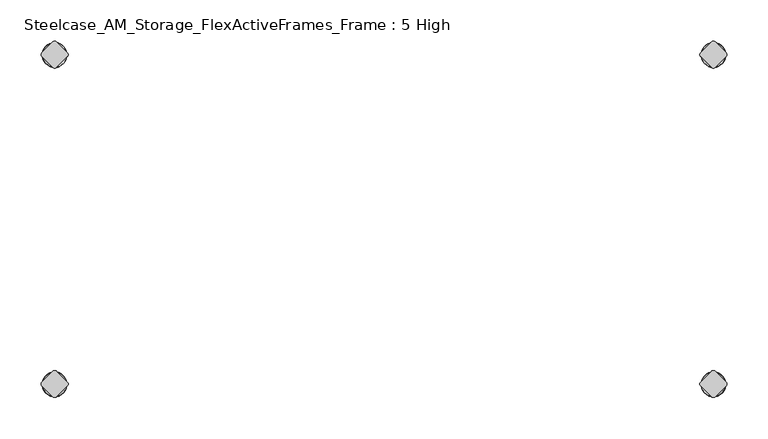
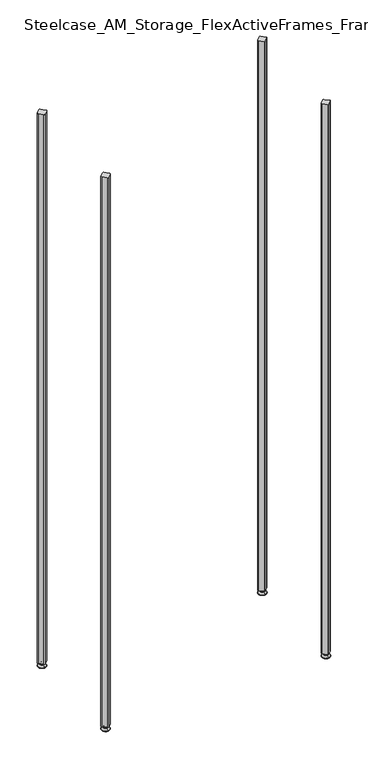
"""IFC4 building model written with IfcOpenShell, lengths in millimetres: furniture geometry, Steelcase_AM_Storage_FlexActiveFrames_Frame : 5 High."""

from ifc_helpers import new_model, si_unit, point, frame, frame_2d, origin, place, context, project, spatial, polyline, circle_curve, ellipse_curve, trimmed, segment, composite_curve, outline, extrude, source, transform, mapped, element, save
from ifc_brep_helpers import plane_surface, cylinder_surface, revolved_surface, advanced_brep


def steelcase_am_storage_flexactiveframes_frame_5_high_075ac30d(model_context):
    return source(origin(), model_context, "Body", "SolidModel", [
        advanced_brep(
        [(800.1, 3.999659, 15.9766), (800.1, -3.999659, 15.9766), (800.1, 0.0, 15.9766), (800.1, 3.999659, 12.6000054), (800.1, -3.999659, 12.6000054), (800.1, 5.8601455, 12.6000054), (800.1, -5.8601455, 12.6000054), (800.1, 6.4951462, 11.9650074), (800.1, -6.4951462, 11.9650074), (800.1, 6.4951462, 9.0000124), (800.1, -6.4951462, 9.0000124), (800.1, 8.7421976, 9.0000124), (800.1, -8.7421976, 9.0000124), (800.1, 14.7060077, 2.3275608), (800.1, -14.7060077, 2.3275608), (800.1, 13.664601, 0.0), (800.1, -13.664601, 0.0), (800.1, 0.0, 0.0)],
        [
            (0, 1, circle_curve(frame((800.1, 0.0, 15.9766), z_axis=(0.0, 0.0, 1.0), x_axis=(0.0, -1.0, 0.0)), 3.999659)),
            (1, 2),
            (2, 0),
            (1, 0, circle_curve(frame((800.1, 0.0, 15.9766), z_axis=(0.0, 0.0, 1.0), x_axis=(0.0, -1.0, 0.0)), 3.999659)),
            (3, 4, circle_curve(frame((800.1, 0.0, 12.6000054), z_axis=(0.0, 0.0, 1.0), x_axis=(0.0, -1.0, 0.0)), 3.999659)),
            (4, 1),
            (0, 3),
            (4, 3, circle_curve(frame((800.1, 0.0, 12.6000054), z_axis=(0.0, 0.0, 1.0), x_axis=(0.0, -1.0, 0.0)), 3.999659)),
            (5, 6, circle_curve(frame((800.1, 0.0, 12.6000054), z_axis=(0.0, 0.0, 1.0), x_axis=(0.0, -1.0, 0.0)), 5.8601455)),
            (6, 4),
            (3, 5),
            (6, 5, circle_curve(frame((800.1, 0.0, 12.6000054), z_axis=(0.0, 0.0, 1.0), x_axis=(0.0, -1.0, 0.0)), 5.8601455)),
            (7, 8, circle_curve(frame((800.1, 0.0, 11.9650074), z_axis=(0.0, 0.0, 1.0), x_axis=(0.0, -1.0, 0.0)), 6.4951462)),
            (8, 6, circle_curve(frame((800.1, -5.8601462, 11.9650074), z_axis=(-1.0, 0.0, 0.0), x_axis=(0.0, -1.0, 0.0)), 0.635)),
            (5, 7, circle_curve(frame((800.1, 5.8601462, 11.9650074), z_axis=(-1.0, 0.0, 0.0), x_axis=(0.0, 1.0, 0.0)), 0.635)),
            (8, 7, circle_curve(frame((800.1, 0.0, 11.9650074), z_axis=(0.0, 0.0, 1.0), x_axis=(0.0, -1.0, 0.0)), 6.4951462)),
            (9, 10, circle_curve(frame((800.1, 0.0, 9.0000124), z_axis=(0.0, 0.0, 1.0), x_axis=(0.0, -1.0, 0.0)), 6.4951462)),
            (10, 8),
            (7, 9),
            (10, 9, circle_curve(frame((800.1, 0.0, 9.0000124), z_axis=(0.0, 0.0, 1.0), x_axis=(0.0, -1.0, 0.0)), 6.4951462)),
            (11, 12, circle_curve(frame((800.1, 0.0, 9.0000124), z_axis=(0.0, 0.0, 1.0), x_axis=(0.0, -1.0, 0.0)), 8.7421976)),
            (12, 10),
            (9, 11),
            (12, 11, circle_curve(frame((800.1, 0.0, 9.0000124), z_axis=(0.0, 0.0, 1.0), x_axis=(0.0, -1.0, 0.0)), 8.7421976)),
            (13, 14, circle_curve(frame((800.1, 0.0, 2.3275608), z_axis=(0.0, 0.0, 1.0), x_axis=(0.0, -1.0, 0.0)), 14.7060077)),
            (14, 12),
            (11, 13),
            (14, 13, circle_curve(frame((800.1, 0.0, 2.3275608), z_axis=(0.0, 0.0, 1.0), x_axis=(0.0, -1.0, 0.0)), 14.7060077)),
            (15, 16, circle_curve(frame((800.1, 0.0, 0.0), z_axis=(0.0, 0.0, 1.0), x_axis=(0.0, -1.0, 0.0)), 13.664601)),
            (16, 14, circle_curve(frame((800.1, -13.664601, 1.3967556), z_axis=(-1.0, 0.0, 0.0), x_axis=(0.0, -1.0, 0.0)), 1.3967556)),
            (13, 15, circle_curve(frame((800.1, 13.664601, 1.3967556), z_axis=(-1.0, 0.0, 0.0), x_axis=(0.0, 1.0, 0.0)), 1.3967556)),
            (16, 15, circle_curve(frame((800.1, 0.0, 0.0), z_axis=(0.0, 0.0, 1.0), x_axis=(0.0, -1.0, 0.0)), 13.664601)),
            (17, 16),
            (15, 17),
        ],
        [
            plane_surface(frame((800.1, 0.0, 15.9766), z_axis=(0.0, 0.0, 1.0), x_axis=(0.0, -1.0, 0.0))),
            cylinder_surface(frame((800.1, 0.0, -4.132372), z_axis=(0.0, 0.0, -1.0), x_axis=(0.0, -1.0, 0.0)), 3.999659),
            plane_surface(frame((800.1, 0.0, 12.6000054), z_axis=(0.0, 0.0, 1.0), x_axis=(0.0, -1.0, 0.0))),
            revolved_surface(trimmed(ellipse_curve(frame((800.1, -5.8601462, 11.9650074), z_axis=(1.0, 0.0, 0.0), x_axis=(0.0, -1.0, 0.0)), 0.635, 0.635), [point((800.1, -5.8601455, 12.6000074))], [point((800.1, -6.4951462, 11.9650074))], True, "CARTESIAN"), (800.1, 0.0, -4.132372), (0.0, 0.0, -1.0)),
            cylinder_surface(frame((800.1, 0.0, -4.132372), z_axis=(0.0, 0.0, -1.0), x_axis=(0.0, -1.0, 0.0)), 6.4951462),
            plane_surface(frame((800.1, 0.0, 9.0000124), z_axis=(0.0, 0.0, 1.0), x_axis=(0.0, -1.0, 0.0))),
            revolved_surface(polyline([(800.1, -8.7421976, 9.0000124), (800.1, -14.7060077, 2.3275608)]), (800.1, 0.0, -4.132372), (0.0, 0.0, -1.0)),
            revolved_surface(trimmed(ellipse_curve(frame((800.1, -13.664601, 1.3967556), z_axis=(1.0, 0.0, 0.0), x_axis=(0.0, -1.0, 0.0)), 1.3967556, 1.3967556), [point((800.1, -14.7060077, 2.3275608))], [point((800.1, -13.664601, 0.0))], True, "CARTESIAN"), (800.1, 0.0, -4.132372), (0.0, 0.0, -1.0)),
            plane_surface(frame((800.1, 0.0, 0.0), z_axis=(0.0, 0.0, -1.0), x_axis=(0.0, -1.0, 0.0))),
        ],
        [
            (0, [[1, 2, 3]]),
            (0, [[4, -3, -2]]),
            (1, [[5, 6, -1, 7]]),
            (1, [[8, -7, -4, -6]]),
            (2, [[9, 10, -5, 11]]),
            (2, [[12, -11, -8, -10]]),
            (3, [[13, 14, -9, 15]]),
            (3, [[16, -15, -12, -14]]),
            (4, [[17, 18, -13, 19]]),
            (4, [[20, -19, -16, -18]]),
            (5, [[21, 22, -17, 23]]),
            (5, [[24, -23, -20, -22]]),
            (6, [[25, 26, -21, 27]]),
            (6, [[28, -27, -24, -26]]),
            (7, [[29, 30, -25, 31]]),
            (7, [[32, -31, -28, -30]]),
            (8, [[33, -29, 34]]),
            (8, [[-34, -32, -33]]),
        ],
    ),
        advanced_brep(
        [(800.1, -400.05, 15.9766), (800.1, -396.050341, 15.9766), (800.1, -404.049659, 15.9766), (800.1, -396.050341, 12.6000054), (800.1, -404.049659, 12.6000054), (800.1, -394.1898545, 12.6000074), (800.1, -405.9101455, 12.6000074), (800.1, -393.5548538, 11.9650074), (800.1, -406.5451462, 11.9650074), (800.1, -393.5548538, 9.0000124), (800.1, -406.5451462, 9.0000124), (800.1, -391.3078024, 9.0000124), (800.1, -408.7921976, 9.0000124), (800.1, -385.3439923, 2.3275608), (800.1, -414.7560077, 2.3275608), (800.1, -386.385399, 0.0), (800.1, -413.714601, 0.0), (800.1, -400.05, 0.0)],
        [
            (0, 1),
            (1, 2, circle_curve(frame((800.1, -400.05, 15.9766), z_axis=(0.0, 0.0, 1.0), x_axis=(0.0, 1.0, 0.0)), 3.999659)),
            (2, 0),
            (2, 1, circle_curve(frame((800.1, -400.05, 15.9766), z_axis=(0.0, 0.0, 1.0), x_axis=(0.0, 1.0, 0.0)), 3.999659)),
            (1, 3),
            (3, 4, circle_curve(frame((800.1, -400.05, 12.6000054), z_axis=(0.0, 0.0, 1.0), x_axis=(0.0, 1.0, 0.0)), 3.999659)),
            (4, 2),
            (4, 3, circle_curve(frame((800.1, -400.05, 12.6000054), z_axis=(0.0, 0.0, 1.0), x_axis=(0.0, 1.0, 0.0)), 3.999659)),
            (3, 5),
            (5, 6, circle_curve(frame((800.1, -400.05, 12.6000074), z_axis=(0.0, 0.0, 1.0), x_axis=(0.0, 1.0, 0.0)), 5.8601455)),
            (6, 4),
            (6, 5, circle_curve(frame((800.1, -400.05, 12.6000074), z_axis=(0.0, 0.0, 1.0), x_axis=(0.0, 1.0, 0.0)), 5.8601455)),
            (5, 7, circle_curve(frame((800.1, -394.1898538, 11.9650074), z_axis=(-1.0, 0.0, 0.0), x_axis=(0.0, 1.0, 0.0)), 0.635)),
            (7, 8, circle_curve(frame((800.1, -400.05, 11.9650074), z_axis=(0.0, 0.0, 1.0), x_axis=(0.0, 1.0, 0.0)), 6.4951462)),
            (8, 6, circle_curve(frame((800.1, -405.9101462, 11.9650074), z_axis=(-1.0, 0.0, 0.0), x_axis=(0.0, -1.0, 0.0)), 0.635)),
            (8, 7, circle_curve(frame((800.1, -400.05, 11.9650074), z_axis=(0.0, 0.0, 1.0), x_axis=(0.0, 1.0, 0.0)), 6.4951462)),
            (7, 9),
            (9, 10, circle_curve(frame((800.1, -400.05, 9.0000124), z_axis=(0.0, 0.0, 1.0), x_axis=(0.0, 1.0, 0.0)), 6.4951462)),
            (10, 8),
            (10, 9, circle_curve(frame((800.1, -400.05, 9.0000124), z_axis=(0.0, 0.0, 1.0), x_axis=(0.0, 1.0, 0.0)), 6.4951462)),
            (9, 11),
            (11, 12, circle_curve(frame((800.1, -400.05, 9.0000124), z_axis=(0.0, 0.0, 1.0), x_axis=(0.0, 1.0, 0.0)), 8.7421976)),
            (12, 10),
            (12, 11, circle_curve(frame((800.1, -400.05, 9.0000124), z_axis=(0.0, 0.0, 1.0), x_axis=(0.0, 1.0, 0.0)), 8.7421976)),
            (11, 13),
            (13, 14, circle_curve(frame((800.1, -400.05, 2.3275608), z_axis=(0.0, 0.0, 1.0), x_axis=(0.0, 1.0, 0.0)), 14.7060077)),
            (14, 12),
            (14, 13, circle_curve(frame((800.1, -400.05, 2.3275608), z_axis=(0.0, 0.0, 1.0), x_axis=(0.0, 1.0, 0.0)), 14.7060077)),
            (13, 15, circle_curve(frame((800.1, -386.385399, 1.3967556), z_axis=(-1.0, 0.0, 0.0), x_axis=(0.0, 1.0, 0.0)), 1.3967556)),
            (15, 16, circle_curve(frame((800.1, -400.05, 0.0), z_axis=(0.0, 0.0, 1.0), x_axis=(0.0, 1.0, 0.0)), 13.664601)),
            (16, 14, circle_curve(frame((800.1, -413.714601, 1.3967556), z_axis=(-1.0, 0.0, 0.0), x_axis=(0.0, -1.0, 0.0)), 1.3967556)),
            (16, 15, circle_curve(frame((800.1, -400.05, 0.0), z_axis=(0.0, 0.0, 1.0), x_axis=(0.0, 1.0, 0.0)), 13.664601)),
            (15, 17),
            (17, 16),
        ],
        [
            plane_surface(frame((800.1, -400.05, 15.9766), z_axis=(0.0, 0.0, 1.0), x_axis=(0.0, 1.0, 0.0))),
            cylinder_surface(frame((800.1, -400.05, -4.132372), z_axis=(0.0, 0.0, 1.0), x_axis=(0.0, 1.0, 0.0)), 3.999659),
            plane_surface(frame((800.1, -400.05, 12.6000074), z_axis=(0.0, 0.0, 1.0), x_axis=(0.0, 1.0, 0.0))),
            revolved_surface(trimmed(ellipse_curve(frame((800.1, -394.1898538, 11.9650074), z_axis=(1.0, 0.0, 0.0), x_axis=(0.0, 1.0, 0.0)), 0.635, 0.635), [point((800.1, -393.5548538, 11.9650074))], [point((800.1, -394.1898545, 12.6000074))], True, "CARTESIAN"), (800.1, -400.05, -4.132372), (0.0, 0.0, 1.0)),
            cylinder_surface(frame((800.1, -400.05, -4.132372), z_axis=(0.0, 0.0, 1.0), x_axis=(0.0, 1.0, 0.0)), 6.4951462),
            plane_surface(frame((800.1, -400.05, 9.0000124), z_axis=(0.0, 0.0, 1.0), x_axis=(0.0, 1.0, 0.0))),
            revolved_surface(polyline([(800.1, -385.3439923, 2.3275608), (800.1, -391.3078024, 9.0000124)]), (800.1, -400.05, -4.132372), (0.0, 0.0, 1.0)),
            revolved_surface(trimmed(ellipse_curve(frame((800.1, -386.385399, 1.3967556), z_axis=(1.0, 0.0, 0.0), x_axis=(0.0, 1.0, 0.0)), 1.3967556, 1.3967556), [point((800.1, -386.385399, 0.0))], [point((800.1, -385.3439923, 2.3275608))], True, "CARTESIAN"), (800.1, -400.05, -4.132372), (0.0, 0.0, 1.0)),
            plane_surface(frame((800.1, -400.05, 0.0), z_axis=(0.0, 0.0, -1.0), x_axis=(0.0, 1.0, 0.0))),
        ],
        [
            (0, [[1, 2, 3]]),
            (0, [[-3, 4, -1]]),
            (1, [[-2, 5, 6, 7]]),
            (1, [[-4, -7, 8, -5]]),
            (2, [[-6, 9, 10, 11]]),
            (2, [[-8, -11, 12, -9]]),
            (3, [[-10, 13, 14, 15]]),
            (3, [[-12, -15, 16, -13]]),
            (4, [[-14, 17, 18, 19]]),
            (4, [[-16, -19, 20, -17]]),
            (5, [[-18, 21, 22, 23]]),
            (5, [[-20, -23, 24, -21]]),
            (6, [[-22, 25, 26, 27]]),
            (6, [[-24, -27, 28, -25]]),
            (7, [[-26, 29, 30, 31]]),
            (7, [[-28, -31, 32, -29]]),
            (8, [[-30, 33, 34]]),
            (8, [[-32, -34, -33]]),
        ],
    ),
        advanced_brep(
        [(0.0, -400.05, 15.9766), (0.0, -396.050341, 15.9766), (0.0, -404.049659, 15.9766), (0.0, -396.050341, 12.6000054), (0.0, -404.049659, 12.6000054), (0.0, -394.1898545, 12.6000074), (0.0, -405.9101455, 12.6000074), (0.0, -393.5548538, 11.9650074), (0.0, -406.5451462, 11.9650074), (0.0, -393.5548538, 9.0000124), (0.0, -406.5451462, 9.0000124), (0.0, -391.3078024, 9.0000124), (0.0, -408.7921976, 9.0000124), (0.0, -385.3439923, 2.3275608), (0.0, -414.7560077, 2.3275608), (0.0, -386.385399, 0.0), (0.0, -413.714601, 0.0), (0.0, -400.05, 0.0)],
        [
            (0, 1),
            (1, 2, circle_curve(frame((0.0, -400.05, 15.9766), z_axis=(0.0, 0.0, 1.0), x_axis=(0.0, 1.0, 0.0)), 3.999659)),
            (2, 0),
            (2, 1, circle_curve(frame((0.0, -400.05, 15.9766), z_axis=(0.0, 0.0, 1.0), x_axis=(0.0, 1.0, 0.0)), 3.999659)),
            (1, 3),
            (3, 4, circle_curve(frame((0.0, -400.05, 12.6000054), z_axis=(0.0, 0.0, 1.0), x_axis=(0.0, 1.0, 0.0)), 3.999659)),
            (4, 2),
            (4, 3, circle_curve(frame((0.0, -400.05, 12.6000054), z_axis=(0.0, 0.0, 1.0), x_axis=(0.0, 1.0, 0.0)), 3.999659)),
            (3, 5),
            (5, 6, circle_curve(frame((0.0, -400.05, 12.6000074), z_axis=(0.0, 0.0, 1.0), x_axis=(0.0, 1.0, 0.0)), 5.8601455)),
            (6, 4),
            (6, 5, circle_curve(frame((0.0, -400.05, 12.6000074), z_axis=(0.0, 0.0, 1.0), x_axis=(0.0, 1.0, 0.0)), 5.8601455)),
            (5, 7, circle_curve(frame((0.0, -394.1898538, 11.9650074), z_axis=(-1.0, 0.0, 0.0), x_axis=(0.0, -1.0, 0.0)), 0.635)),
            (7, 8, circle_curve(frame((0.0, -400.05, 11.9650074), z_axis=(0.0, 0.0, 1.0), x_axis=(0.0, 1.0, 0.0)), 6.4951462)),
            (8, 6, circle_curve(frame((0.0, -405.9101462, 11.9650074), z_axis=(-1.0, 0.0, 0.0), x_axis=(0.0, 1.0, 0.0)), 0.635)),
            (8, 7, circle_curve(frame((0.0, -400.05, 11.9650074), z_axis=(0.0, 0.0, 1.0), x_axis=(0.0, 1.0, 0.0)), 6.4951462)),
            (7, 9),
            (9, 10, circle_curve(frame((0.0, -400.05, 9.0000124), z_axis=(0.0, 0.0, 1.0), x_axis=(0.0, 1.0, 0.0)), 6.4951462)),
            (10, 8),
            (10, 9, circle_curve(frame((0.0, -400.05, 9.0000124), z_axis=(0.0, 0.0, 1.0), x_axis=(0.0, 1.0, 0.0)), 6.4951462)),
            (9, 11),
            (11, 12, circle_curve(frame((0.0, -400.05, 9.0000124), z_axis=(0.0, 0.0, 1.0), x_axis=(0.0, 1.0, 0.0)), 8.7421976)),
            (12, 10),
            (12, 11, circle_curve(frame((0.0, -400.05, 9.0000124), z_axis=(0.0, 0.0, 1.0), x_axis=(0.0, 1.0, 0.0)), 8.7421976)),
            (11, 13),
            (13, 14, circle_curve(frame((0.0, -400.05, 2.3275608), z_axis=(0.0, 0.0, 1.0), x_axis=(0.0, 1.0, 0.0)), 14.7060077)),
            (14, 12),
            (14, 13, circle_curve(frame((0.0, -400.05, 2.3275608), z_axis=(0.0, 0.0, 1.0), x_axis=(0.0, 1.0, 0.0)), 14.7060077)),
            (13, 15, circle_curve(frame((0.0, -386.385399, 1.3967556), z_axis=(-1.0, 0.0, 0.0), x_axis=(0.0, -1.0, 0.0)), 1.3967556)),
            (15, 16, circle_curve(frame((0.0, -400.05, 0.0), z_axis=(0.0, 0.0, 1.0), x_axis=(0.0, 1.0, 0.0)), 13.664601)),
            (16, 14, circle_curve(frame((0.0, -413.714601, 1.3967556), z_axis=(-1.0, 0.0, 0.0), x_axis=(0.0, 1.0, 0.0)), 1.3967556)),
            (16, 15, circle_curve(frame((0.0, -400.05, 0.0), z_axis=(0.0, 0.0, 1.0), x_axis=(0.0, 1.0, 0.0)), 13.664601)),
            (15, 17),
            (17, 16),
        ],
        [
            plane_surface(frame((0.0, -400.05, 15.9766), z_axis=(0.0, 0.0, 1.0), x_axis=(0.0, 1.0, 0.0))),
            cylinder_surface(frame((0.0, -400.05, -4.132372), z_axis=(0.0, 0.0, 1.0), x_axis=(0.0, 1.0, 0.0)), 3.999659),
            plane_surface(frame((0.0, -400.05, 12.6000074), z_axis=(0.0, 0.0, 1.0), x_axis=(0.0, 1.0, 0.0))),
            revolved_surface(trimmed(ellipse_curve(frame((0.0, -394.1898538, 11.9650074), z_axis=(1.0, 0.0, 0.0), x_axis=(0.0, -1.0, 0.0)), 0.635, 0.635), [point((0.0, -393.5548538, 11.9650074))], [point((0.0, -394.1898545, 12.6000074))], True, "CARTESIAN"), (0.0, -400.05, -4.132372), (0.0, 0.0, 1.0)),
            cylinder_surface(frame((0.0, -400.05, -4.132372), z_axis=(0.0, 0.0, 1.0), x_axis=(0.0, 1.0, 0.0)), 6.4951462),
            plane_surface(frame((0.0, -400.05, 9.0000124), z_axis=(0.0, 0.0, 1.0), x_axis=(0.0, 1.0, 0.0))),
            revolved_surface(polyline([(0.0, -385.3439923, 2.3275608), (0.0, -391.3078024, 9.0000124)]), (0.0, -400.05, -4.132372), (0.0, 0.0, 1.0)),
            revolved_surface(trimmed(ellipse_curve(frame((0.0, -386.385399, 1.3967556), z_axis=(1.0, 0.0, 0.0), x_axis=(0.0, -1.0, 0.0)), 1.3967556, 1.3967556), [point((0.0, -386.385399, 0.0))], [point((0.0, -385.3439923, 2.3275608))], True, "CARTESIAN"), (0.0, -400.05, -4.132372), (0.0, 0.0, 1.0)),
            plane_surface(frame((0.0, -400.05, 0.0), z_axis=(0.0, 0.0, -1.0), x_axis=(0.0, 1.0, 0.0))),
        ],
        [
            (0, [[1, 2, 3]]),
            (0, [[-3, 4, -1]]),
            (1, [[-2, 5, 6, 7]]),
            (1, [[-4, -7, 8, -5]]),
            (2, [[-6, 9, 10, 11]]),
            (2, [[-8, -11, 12, -9]]),
            (3, [[-10, 13, 14, 15]]),
            (3, [[-12, -15, 16, -13]]),
            (4, [[-14, 17, 18, 19]]),
            (4, [[-16, -19, 20, -17]]),
            (5, [[-18, 21, 22, 23]]),
            (5, [[-20, -23, 24, -21]]),
            (6, [[-22, 25, 26, 27]]),
            (6, [[-24, -27, 28, -25]]),
            (7, [[-26, 29, 30, 31]]),
            (7, [[-28, -31, 32, -29]]),
            (8, [[-30, 33, 34]]),
            (8, [[-32, -34, -33]]),
        ],
    ),
        advanced_brep(
        [(0.0, 3.999659, 15.9766), (0.0, -3.999659, 15.9766), (0.0, 0.0, 15.9766), (0.0, 3.999659, 12.6000054), (0.0, -3.999659, 12.6000054), (0.0, 5.8601455, 12.6000054), (0.0, -5.8601455, 12.6000054), (0.0, 6.4951462, 11.9650074), (0.0, -6.4951462, 11.9650074), (0.0, 6.4951462, 9.0000124), (0.0, -6.4951462, 9.0000124), (0.0, 8.7421976, 9.0000124), (0.0, -8.7421976, 9.0000124), (0.0, 14.7060077, 2.3275608), (0.0, -14.7060077, 2.3275608), (0.0, 13.664601, 0.0), (0.0, -13.664601, 0.0), (0.0, 0.0, 0.0)],
        [
            (0, 1, circle_curve(frame((0.0, 0.0, 15.9766), z_axis=(0.0, 0.0, 1.0), x_axis=(0.0, -1.0, 0.0)), 3.999659)),
            (1, 2),
            (2, 0),
            (1, 0, circle_curve(frame((0.0, 0.0, 15.9766), z_axis=(0.0, 0.0, 1.0), x_axis=(0.0, -1.0, 0.0)), 3.999659)),
            (3, 4, circle_curve(frame((0.0, 0.0, 12.6000054), z_axis=(0.0, 0.0, 1.0), x_axis=(0.0, -1.0, 0.0)), 3.999659)),
            (4, 1),
            (0, 3),
            (4, 3, circle_curve(frame((0.0, 0.0, 12.6000054), z_axis=(0.0, 0.0, 1.0), x_axis=(0.0, -1.0, 0.0)), 3.999659)),
            (5, 6, circle_curve(frame((0.0, 0.0, 12.6000054), z_axis=(0.0, 0.0, 1.0), x_axis=(0.0, -1.0, 0.0)), 5.8601455)),
            (6, 4),
            (3, 5),
            (6, 5, circle_curve(frame((0.0, 0.0, 12.6000054), z_axis=(0.0, 0.0, 1.0), x_axis=(0.0, -1.0, 0.0)), 5.8601455)),
            (7, 8, circle_curve(frame((0.0, 0.0, 11.9650074), z_axis=(0.0, 0.0, 1.0), x_axis=(0.0, -1.0, 0.0)), 6.4951462)),
            (8, 6, circle_curve(frame((0.0, -5.8601462, 11.9650074), z_axis=(-1.0, 0.0, 0.0), x_axis=(0.0, 1.0, 0.0)), 0.635)),
            (5, 7, circle_curve(frame((0.0, 5.8601462, 11.9650074), z_axis=(-1.0, 0.0, 0.0), x_axis=(0.0, -1.0, 0.0)), 0.635)),
            (8, 7, circle_curve(frame((0.0, 0.0, 11.9650074), z_axis=(0.0, 0.0, 1.0), x_axis=(0.0, -1.0, 0.0)), 6.4951462)),
            (9, 10, circle_curve(frame((0.0, 0.0, 9.0000124), z_axis=(0.0, 0.0, 1.0), x_axis=(0.0, -1.0, 0.0)), 6.4951462)),
            (10, 8),
            (7, 9),
            (10, 9, circle_curve(frame((0.0, 0.0, 9.0000124), z_axis=(0.0, 0.0, 1.0), x_axis=(0.0, -1.0, 0.0)), 6.4951462)),
            (11, 12, circle_curve(frame((0.0, 0.0, 9.0000124), z_axis=(0.0, 0.0, 1.0), x_axis=(0.0, -1.0, 0.0)), 8.7421976)),
            (12, 10),
            (9, 11),
            (12, 11, circle_curve(frame((0.0, 0.0, 9.0000124), z_axis=(0.0, 0.0, 1.0), x_axis=(0.0, -1.0, 0.0)), 8.7421976)),
            (13, 14, circle_curve(frame((0.0, 0.0, 2.3275608), z_axis=(0.0, 0.0, 1.0), x_axis=(0.0, -1.0, 0.0)), 14.7060077)),
            (14, 12),
            (11, 13),
            (14, 13, circle_curve(frame((0.0, 0.0, 2.3275608), z_axis=(0.0, 0.0, 1.0), x_axis=(0.0, -1.0, 0.0)), 14.7060077)),
            (15, 16, circle_curve(frame((0.0, 0.0, 0.0), z_axis=(0.0, 0.0, 1.0), x_axis=(0.0, -1.0, 0.0)), 13.664601)),
            (16, 14, circle_curve(frame((0.0, -13.664601, 1.3967556), z_axis=(-1.0, 0.0, 0.0), x_axis=(0.0, 1.0, 0.0)), 1.3967556)),
            (13, 15, circle_curve(frame((0.0, 13.664601, 1.3967556), z_axis=(-1.0, 0.0, 0.0), x_axis=(0.0, -1.0, 0.0)), 1.3967556)),
            (16, 15, circle_curve(frame((0.0, 0.0, 0.0), z_axis=(0.0, 0.0, 1.0), x_axis=(0.0, -1.0, 0.0)), 13.664601)),
            (17, 16),
            (15, 17),
        ],
        [
            plane_surface(frame((0.0, 0.0, 15.9766), z_axis=(0.0, 0.0, 1.0), x_axis=(0.0, -1.0, 0.0))),
            cylinder_surface(frame((0.0, 0.0, -4.132372), z_axis=(0.0, 0.0, -1.0), x_axis=(0.0, -1.0, 0.0)), 3.999659),
            plane_surface(frame((0.0, 0.0, 12.6000054), z_axis=(0.0, 0.0, 1.0), x_axis=(0.0, -1.0, 0.0))),
            revolved_surface(trimmed(ellipse_curve(frame((0.0, -5.8601462, 11.9650074), z_axis=(1.0, 0.0, 0.0), x_axis=(0.0, 1.0, 0.0)), 0.635, 0.635), [point((0.0, -5.8601455, 12.6000074))], [point((0.0, -6.4951462, 11.9650074))], True, "CARTESIAN"), (0.0, 0.0, -4.132372), (0.0, 0.0, -1.0)),
            cylinder_surface(frame((0.0, 0.0, -4.132372), z_axis=(0.0, 0.0, -1.0), x_axis=(0.0, -1.0, 0.0)), 6.4951462),
            plane_surface(frame((0.0, 0.0, 9.0000124), z_axis=(0.0, 0.0, 1.0), x_axis=(0.0, -1.0, 0.0))),
            revolved_surface(polyline([(0.0, -8.7421976, 9.0000124), (0.0, -14.7060077, 2.3275608)]), (0.0, 0.0, -4.132372), (0.0, 0.0, -1.0)),
            revolved_surface(trimmed(ellipse_curve(frame((0.0, -13.664601, 1.3967556), z_axis=(1.0, 0.0, 0.0), x_axis=(0.0, 1.0, 0.0)), 1.3967556, 1.3967556), [point((0.0, -14.7060077, 2.3275608))], [point((0.0, -13.664601, 0.0))], True, "CARTESIAN"), (0.0, 0.0, -4.132372), (0.0, 0.0, -1.0)),
            plane_surface(frame((0.0, 0.0, 0.0), z_axis=(0.0, 0.0, -1.0), x_axis=(0.0, -1.0, 0.0))),
        ],
        [
            (0, [[1, 2, 3]]),
            (0, [[4, -3, -2]]),
            (1, [[5, 6, -1, 7]]),
            (1, [[8, -7, -4, -6]]),
            (2, [[9, 10, -5, 11]]),
            (2, [[12, -11, -8, -10]]),
            (3, [[13, 14, -9, 15]]),
            (3, [[16, -15, -12, -14]]),
            (4, [[17, 18, -13, 19]]),
            (4, [[20, -19, -16, -18]]),
            (5, [[21, 22, -17, 23]]),
            (5, [[24, -23, -20, -22]]),
            (6, [[25, 26, -21, 27]]),
            (6, [[28, -27, -24, -26]]),
            (7, [[29, 30, -25, 31]]),
            (7, [[32, -31, -28, -30]]),
            (8, [[33, -29, 34]]),
            (8, [[-34, -32, -33]]),
        ],
    ),
        extrude(outline(composite_curve([segment(polyline([(-2.245064, -15.4326055), (-15.4326055, -2.245064)]), True, "CONTINUOUS"), segment(trimmed(circle_curve(frame_2d((-13.1875415, 0.0)), 3.175), [point((-15.4326055, -2.245064))], [point((-15.4326055, 2.245064))], False, "CARTESIAN"), True, "CONTINUOUS"), segment(polyline([(-15.4326055, 2.245064), (-2.245064, 15.4326055)]), True, "CONTINUOUS"), segment(trimmed(circle_curve(frame_2d((0.0, 13.1875415)), 3.175), [point((-2.245064, 15.4326055))], [point((2.245064, 15.4326055))], False, "CARTESIAN"), True, "CONTINUOUS"), segment(polyline([(2.245064, 15.4326055), (15.4326055, 2.245064)]), True, "CONTINUOUS"), segment(trimmed(circle_curve(frame_2d((13.1875415, 0.0)), 3.175), [point((15.4326055, 2.245064))], [point((15.4326055, -2.245064))], False, "CARTESIAN"), True, "CONTINUOUS"), segment(polyline([(15.4326055, -2.245064), (2.245064, -15.4326055)]), True, "CONTINUOUS"), segment(trimmed(circle_curve(frame_2d((0.0, -13.1875415)), 3.175), [point((2.245064, -15.4326055))], [point((-2.245064, -15.4326055))], False, "CARTESIAN"), True, "CONTINUOUS")], self_intersect=False)), frame((0.0, 0.0, 15.9766), z_axis=(0.0, 0.0, 1.0), x_axis=(1.0, 0.0, 0.0)), (0.0, 0.0, 1.0), 2111.2734),
        extrude(outline(composite_curve([segment(trimmed(circle_curve(frame_2d((800.1, -13.1875415)), 3.175), [point((802.345064, -15.4326055))], [point((797.854936, -15.4326055))], False, "CARTESIAN"), True, "CONTINUOUS"), segment(polyline([(797.854936, -15.4326055), (784.6673945, -2.245064)]), True, "CONTINUOUS"), segment(trimmed(circle_curve(frame_2d((786.9124585, 0.0)), 3.175), [point((784.6673945, -2.245064))], [point((784.6673945, 2.245064))], False, "CARTESIAN"), True, "CONTINUOUS"), segment(polyline([(784.6673945, 2.245064), (797.854936, 15.4326055)]), True, "CONTINUOUS"), segment(trimmed(circle_curve(frame_2d((800.1, 13.1875415)), 3.175), [point((797.854936, 15.4326055))], [point((802.345064, 15.4326055))], False, "CARTESIAN"), True, "CONTINUOUS"), segment(polyline([(802.345064, 15.4326055), (815.5326055, 2.245064)]), True, "CONTINUOUS"), segment(trimmed(circle_curve(frame_2d((813.2875415, 0.0)), 3.175), [point((815.5326055, 2.245064))], [point((815.5326055, -2.245064))], False, "CARTESIAN"), True, "CONTINUOUS"), segment(polyline([(815.5326055, -2.245064), (802.345064, -15.4326055)]), True, "CONTINUOUS")], self_intersect=False)), frame((0.0, 0.0, 15.9766), z_axis=(0.0, 0.0, 1.0), x_axis=(1.0, 0.0, 0.0)), (0.0, 0.0, 1.0), 2111.2734),
        extrude(outline(composite_curve([segment(polyline([(802.345064, -384.6173945), (815.5326055, -397.804936)]), True, "CONTINUOUS"), segment(trimmed(circle_curve(frame_2d((813.2875415, -400.05)), 3.175), [point((815.5326055, -397.804936))], [point((815.5326055, -402.295064))], False, "CARTESIAN"), True, "CONTINUOUS"), segment(polyline([(815.5326055, -402.295064), (802.345064, -415.4826055)]), True, "CONTINUOUS"), segment(trimmed(circle_curve(frame_2d((800.1, -413.2375415)), 3.175), [point((802.345064, -415.4826055))], [point((797.854936, -415.4826055))], False, "CARTESIAN"), True, "CONTINUOUS"), segment(polyline([(797.854936, -415.4826055), (784.6673945, -402.295064)]), True, "CONTINUOUS"), segment(trimmed(circle_curve(frame_2d((786.9124585, -400.05)), 3.175), [point((784.6673945, -402.295064))], [point((784.6673945, -397.804936))], False, "CARTESIAN"), True, "CONTINUOUS"), segment(polyline([(784.6673945, -397.804936), (797.854936, -384.6173945)]), True, "CONTINUOUS"), segment(trimmed(circle_curve(frame_2d((800.1, -386.8624585)), 3.175), [point((797.854936, -384.6173945))], [point((802.345064, -384.6173945))], False, "CARTESIAN"), True, "CONTINUOUS")], self_intersect=False)), frame((0.0, 0.0, 15.9766), z_axis=(0.0, 0.0, 1.0), x_axis=(1.0, 0.0, 0.0)), (0.0, 0.0, 1.0), 2111.2734),
        extrude(outline(composite_curve([segment(trimmed(circle_curve(frame_2d((0.0, -386.8624585)), 3.175), [point((-2.245064, -384.6173945))], [point((2.245064, -384.6173945))], False, "CARTESIAN"), True, "CONTINUOUS"), segment(polyline([(2.245064, -384.6173945), (15.4326055, -397.804936)]), True, "CONTINUOUS"), segment(trimmed(circle_curve(frame_2d((13.1875415, -400.05)), 3.175), [point((15.4326055, -397.804936))], [point((15.4326055, -402.295064))], False, "CARTESIAN"), True, "CONTINUOUS"), segment(polyline([(15.4326055, -402.295064), (2.245064, -415.4826055)]), True, "CONTINUOUS"), segment(trimmed(circle_curve(frame_2d((0.0, -413.2375415)), 3.175), [point((2.245064, -415.4826055))], [point((-2.245064, -415.4826055))], False, "CARTESIAN"), True, "CONTINUOUS"), segment(polyline([(-2.245064, -415.4826055), (-15.4326055, -402.295064)]), True, "CONTINUOUS"), segment(trimmed(circle_curve(frame_2d((-13.1875415, -400.05)), 3.175), [point((-15.4326055, -402.295064))], [point((-15.4326055, -397.804936))], False, "CARTESIAN"), True, "CONTINUOUS"), segment(polyline([(-15.4326055, -397.804936), (-2.245064, -384.6173945)]), True, "CONTINUOUS")], self_intersect=False)), frame((0.0, 0.0, 15.9766), z_axis=(0.0, 0.0, 1.0), x_axis=(1.0, 0.0, 0.0)), (0.0, 0.0, 1.0), 2111.2734),
    ])


if __name__ == "__main__":
    model = new_model("IFC4")
    model_context = context("Model", 3, world=origin())
    ifc_project = project(units=[si_unit("LENGTHUNIT", "METRE", prefix="MILLI")], contexts=[model_context])
    site = spatial("IfcSite", under=ifc_project)
    building = spatial("IfcBuilding", under=site)
    placement = place(None, origin())
    steelcase_am_storage_flexactiveframes_frame_5_high_shape = steelcase_am_storage_flexactiveframes_frame_5_high_075ac30d(model_context)
    element("IfcFurniture", 1, ObjectType="Steelcase_AM_Storage_FlexActiveFrames_Frame : 5 High", at=placement, inside=building, context=model_context, shape_type="MappedRepresentation", body=[
        mapped(steelcase_am_storage_flexactiveframes_frame_5_high_shape, transform((0.0, 0.0, 0.0), x_axis=(1.0, 0.0, 0.0), y_axis=(0.0, 1.0, 0.0), z_axis=(0.0, 0.0, 1.0))),
    ])
    save(model, "model.ifc")
